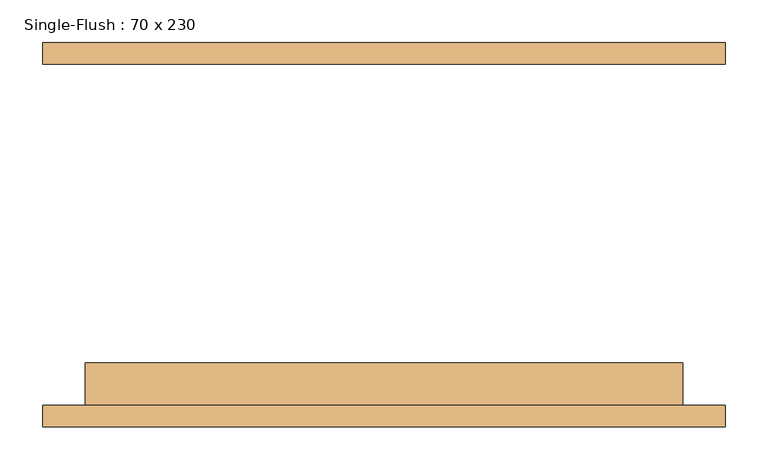
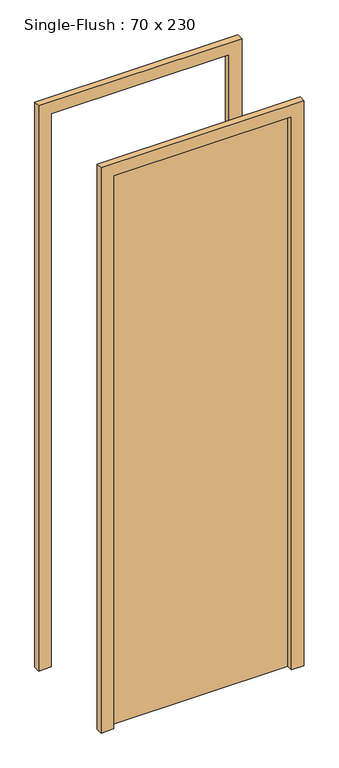
"""IFC4 building model written with IfcOpenShell, lengths in millimetres: door geometry, Single-Flush : 70 x 230."""

from ifc_helpers import new_model, si_unit, frame, origin, origin_with_axes, place, context, project, spatial, polyline, outline, extrude, source, transform, mapped, element, save


def single_flush_70_x_230_8ca075d4(model_context):
    return source(origin(), model_context, "Body", "SweptSolid", [
        extrude(outline(polyline([(2350.0, -400.0), (0.0, -400.0), (0.0, -350.0), (2300.0, -350.0), (2300.0, 350.0), (0.0, 350.0), (0.0, 400.0), (2350.0, 400.0), (2350.0, -400.0)])), frame((0.0, -225.4, 0.0), z_axis=(0.0, 1.0, 0.0), x_axis=(0.0, 0.0, 1.0)), (0.0, 0.0, 1.0), 25.4),
        extrude(outline(polyline([(2350.0, 400.0), (2350.0, -400.0), (0.0, -400.0), (0.0, -350.0), (2300.0, -350.0), (2300.0, 350.0), (0.0, 350.0), (0.0, 400.0), (2350.0, 400.0)])), frame((0.0, 200.0, 0.0), z_axis=(0.0, 1.0, 0.0), x_axis=(0.0, 0.0, 1.0)), (0.0, 0.0, 1.0), 25.4),
        extrude(outline(polyline([(350.0, -150.0), (350.0, -200.0), (-350.0, -200.0), (-350.0, -150.0), (350.0, -150.0)])), origin_with_axes(), (0.0, 0.0, 1.0), 2300.0),
    ])


if __name__ == "__main__":
    model = new_model("IFC4")
    model_context = context("Model", 3, world=origin())
    ifc_project = project(units=[si_unit("LENGTHUNIT", "METRE", prefix="MILLI")], contexts=[model_context])
    site = spatial("IfcSite", under=ifc_project)
    building = spatial("IfcBuilding", under=site)
    placement = place(None, origin())
    single_flush_70_x_230_shape = single_flush_70_x_230_8ca075d4(model_context)
    element("IfcDoor", 1, ObjectType="Single-Flush : 70 x 230", at=placement, inside=building, context=model_context, shape_type="MappedRepresentation", body=[
        mapped(single_flush_70_x_230_shape, transform((0.0, 0.0, 0.0), x_axis=(1.0, 0.0, 0.0), y_axis=(0.0, 1.0, 0.0), z_axis=(0.0, 0.0, 1.0))),
    ])
    save(model, "model.ifc")
